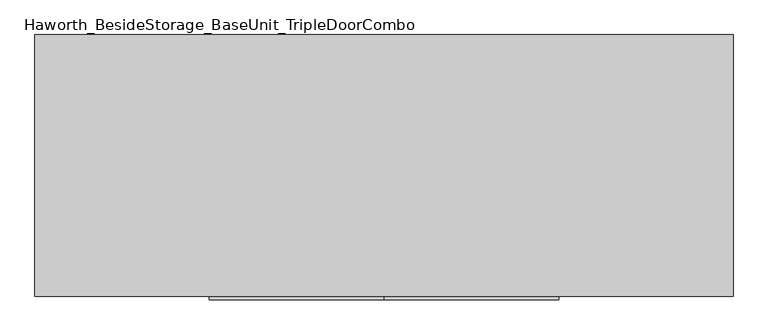
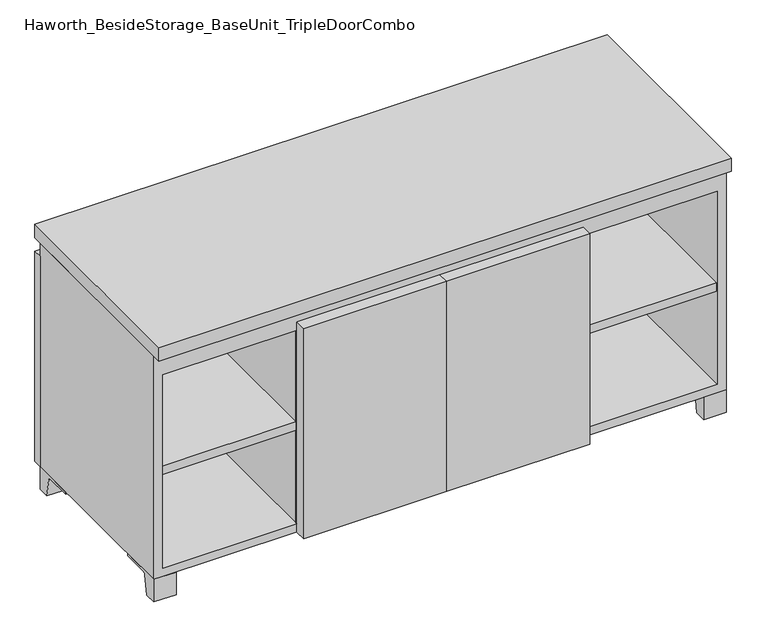
"""IFC4 building model written with IfcOpenShell, lengths in millimetres: furniture geometry, Haworth_BesideStorage_BaseUnit_TripleDoorCombo."""

from ifc_helpers import new_model, si_unit, point, frame, frame_2d, origin, place, context, project, spatial, polyline, circle_curve, trimmed, segment, composite_curve, outline, extrude, source, transform, mapped, element, save


def haworth_besidestorage_baseunit_tripledoorcombo_9fe2d99d(model_context):
    return source(origin(), model_context, "Body", "SweptSolid", [
        extrude(outline(polyline([(304.8069453, 241.3), (590.5569453, 241.3), (590.5569453, -142.875), (304.8069453, -142.875), (304.8069453, 241.3)])), frame((0.0, 0.0, 277.8125), z_axis=(0.0, 0.0, 1.0), x_axis=(1.0, 0.0, 0.0)), (0.0, 0.0, 1.0), 19.05),
        extrude(outline(polyline([(-304.7791641, 241.3), (-304.7791641, -142.875), (-590.5291641, -142.875), (-590.5291641, 241.3), (-304.7791641, 241.3)])), frame((0.0, 0.0, 277.8125), z_axis=(0.0, 0.0, 1.0), x_axis=(1.0, 0.0, 0.0)), (0.0, 0.0, 1.0), 19.05),
        extrude(outline(polyline([(285.7638906, 241.3), (285.7638906, -142.875), (-285.7361094, -142.875), (-285.7361094, 241.3), (285.7638906, 241.3)])), frame((0.0, 0.0, 277.8125), z_axis=(0.0, 0.0, 1.0), x_axis=(1.0, 0.0, 0.0)), (0.0, 0.0, 1.0), 19.05),
        extrude(outline(polyline([(609.6138906, 292.1), (609.6138906, -165.1), (-609.5861094, -165.1), (-609.5861094, 292.1), (609.6138906, 292.1)])), frame((0.0, 0.0, 554.0375), z_axis=(0.0, 0.0, 1.0), x_axis=(1.0, 0.0, 0.0)), (0.0, 0.0, 1.0), 30.1625),
        extrude(outline(composite_curve([segment(polyline([(-120.6500136, 0.0), (-146.05, 0.0), (-146.05, 50.8), (-50.8, 50.8), (-50.8, 46.0213321), (-107.6005345, 46.0213321)]), True, "CONTINUOUS"), segment(trimmed(circle_curve(frame_2d((-107.6005345, 39.6713321)), 6.35), [point((-107.6005345, 46.0213321))], [point((-113.8641359, 40.7152656))], True, "CARTESIAN"), True, "CONTINUOUS"), segment(polyline([(-113.8641359, 40.7152656), (-120.6500136, 0.0)]), True, "CONTINUOUS")], self_intersect=False)), frame((561.9888906, 0.0, 0.0), z_axis=(1.0, 0.0, 0.0), x_axis=(0.0, 1.0, 0.0)), (0.0, 0.0, 1.0), 47.625),
        extrude(outline(composite_curve([segment(polyline([(247.6500136, 0.0), (240.8641359, 40.7152656)]), True, "CONTINUOUS"), segment(trimmed(circle_curve(frame_2d((234.6005345, 39.6713321)), 6.35), [point((240.8641359, 40.7152656))], [point((234.6005345, 46.0213321))], True, "CARTESIAN"), True, "CONTINUOUS"), segment(polyline([(234.6005345, 46.0213321), (177.8, 46.0213321), (177.8, 50.8), (273.05, 50.8), (273.05, 0.0), (247.6500136, 0.0)]), True, "CONTINUOUS")], self_intersect=False)), frame((561.9888906, 0.0, 0.0), z_axis=(1.0, 0.0, 0.0), x_axis=(0.0, 1.0, 0.0)), (0.0, 0.0, 1.0), 47.625),
        extrude(outline(composite_curve([segment(polyline([(-120.6500136, 0.0), (-146.05, 0.0), (-146.05, 50.8), (-50.8, 50.8), (-50.8, 46.0213321), (-107.6005345, 46.0213321)]), True, "CONTINUOUS"), segment(trimmed(circle_curve(frame_2d((-107.6005345, 39.6713321)), 6.35), [point((-107.6005345, 46.0213321))], [point((-113.8641359, 40.7152656))], True, "CARTESIAN"), True, "CONTINUOUS"), segment(polyline([(-113.8641359, 40.7152656), (-120.6500136, 0.0)]), True, "CONTINUOUS")], self_intersect=False)), frame((-609.5861094, 0.0, 0.0), z_axis=(1.0, 0.0, 0.0), x_axis=(0.0, 1.0, 0.0)), (0.0, 0.0, 1.0), 47.625),
        extrude(outline(composite_curve([segment(polyline([(247.6500136, 0.0), (240.8641359, 40.7152656)]), True, "CONTINUOUS"), segment(trimmed(circle_curve(frame_2d((234.6005345, 39.6713321)), 6.35), [point((240.8641359, 40.7152656))], [point((234.6005345, 46.0213321))], True, "CARTESIAN"), True, "CONTINUOUS"), segment(polyline([(234.6005345, 46.0213321), (177.8, 46.0213321), (177.8, 50.8), (273.05, 50.8), (273.05, 0.0), (247.6500136, 0.0)]), True, "CONTINUOUS")], self_intersect=False)), frame((-609.5861094, 0.0, 0.0), z_axis=(1.0, 0.0, 0.0), x_axis=(0.0, 1.0, 0.0)), (0.0, 0.0, 1.0), 47.625),
        extrude(outline(polyline([(0.0138906, -171.45), (0.0138906, -146.05), (304.8138906, -146.05), (304.8138906, -171.45), (0.0138906, -171.45)])), frame((0.0, 0.0, 50.8), z_axis=(0.0, 0.0, 1.0), x_axis=(1.0, 0.0, 0.0)), (0.0, 0.0, 1.0), 473.075),
        extrude(outline(polyline([(0.0138906, -171.45), (-304.7861094, -171.45), (-304.7861094, -146.05), (0.0138906, -146.05), (0.0138906, -171.45)])), frame((0.0, 0.0, 50.8), z_axis=(0.0, 0.0, 1.0), x_axis=(1.0, 0.0, 0.0)), (0.0, 0.0, 1.0), 473.075),
        extrude(outline(polyline([(-584.1791641, -120.65), (-584.1791641, 247.65), (-568.3041641, 247.65), (-568.3041641, 73.025), (-7.9236094, 73.025), (-7.9236094, 247.65), (7.9513906, 247.65), (7.9513906, 73.025), (568.3111094, 73.025), (568.3111094, 247.65), (584.1861094, 247.65), (584.1861094, -120.65), (568.3111094, -120.65), (568.3111094, 53.975), (7.9513906, 53.975), (7.9513906, -120.65), (-7.9236094, -120.65), (-7.9236094, 53.975), (-568.3041641, 53.975), (-568.3041641, -120.65), (-584.1791641, -120.65)])), frame((0.0, 0.0, 523.875), z_axis=(0.0, 0.0, 1.0), x_axis=(1.0, 0.0, 0.0)), (0.0, 0.0, 1.0), 30.1625),
        extrude(outline(polyline([(304.8138906, 241.3), (304.8138906, -142.875), (285.7638906, -142.875), (285.7638906, 241.3), (304.8138906, 241.3)])), frame((0.0, 0.0, 69.85), z_axis=(0.0, 0.0, 1.0), x_axis=(1.0, 0.0, 0.0)), (0.0, 0.0, 1.0), 434.975),
        extrude(outline(polyline([(-285.7361094, 241.3), (-285.7361094, -142.875), (-304.7861094, -142.875), (-304.7861094, 241.3), (-285.7361094, 241.3)])), frame((0.0, 0.0, 69.85), z_axis=(0.0, 0.0, 1.0), x_axis=(1.0, 0.0, 0.0)), (0.0, 0.0, 1.0), 434.975),
        extrude(outline(polyline([(609.6138906, 273.05), (-609.5861094, 273.05), (-609.5861094, 292.1), (609.6138906, 292.1), (609.6138906, 273.05)])), frame((0.0, 0.0, 50.8), z_axis=(0.0, 0.0, 1.0), x_axis=(1.0, 0.0, 0.0)), (0.0, 0.0, 1.0), 473.075),
        extrude(outline(polyline([(50.8, -609.5861094), (50.8, 609.6138906), (554.0375, 609.6138906), (554.0375, -609.5861094), (50.8, -609.5861094)]), holes=[polyline([(69.85, -590.5361094), (504.825, -590.5361094), (504.825, 590.5569453), (69.85, 590.5569453), (69.85, -590.5361094)])]), frame((0.0, -146.05, 0.0), z_axis=(0.0, 1.0, 0.0), x_axis=(0.0, 0.0, 1.0)), (0.0, 0.0, 1.0), 419.1),
        extrude(outline(polyline([(-590.5291641, 241.3), (-590.5291641, 247.65), (590.5569453, 247.65), (590.5569453, 241.3), (-590.5291641, 241.3)])), frame((0.0, 0.0, 69.85), z_axis=(0.0, 0.0, 1.0), x_axis=(1.0, 0.0, 0.0)), (0.0, 0.0, 1.0), 434.975),
    ])


if __name__ == "__main__":
    model = new_model("IFC4")
    model_context = context("Model", 3, world=origin())
    ifc_project = project(units=[si_unit("LENGTHUNIT", "METRE", prefix="MILLI")], contexts=[model_context])
    site = spatial("IfcSite", under=ifc_project)
    building = spatial("IfcBuilding", under=site)
    placement = place(None, origin())
    haworth_besidestorage_baseunit_tripledoorcombo_shape = haworth_besidestorage_baseunit_tripledoorcombo_9fe2d99d(model_context)
    element("IfcFurniture", 1, ObjectType="Haworth_BesideStorage_BaseUnit_TripleDoorCombo", at=placement, inside=building, context=model_context, shape_type="MappedRepresentation", body=[
        mapped(haworth_besidestorage_baseunit_tripledoorcombo_shape, transform((0.0, 0.0, 0.0), x_axis=(1.0, 0.0, 0.0), y_axis=(0.0, 1.0, 0.0), z_axis=(0.0, 0.0, 1.0))),
    ])
    save(model, "model.ifc")
